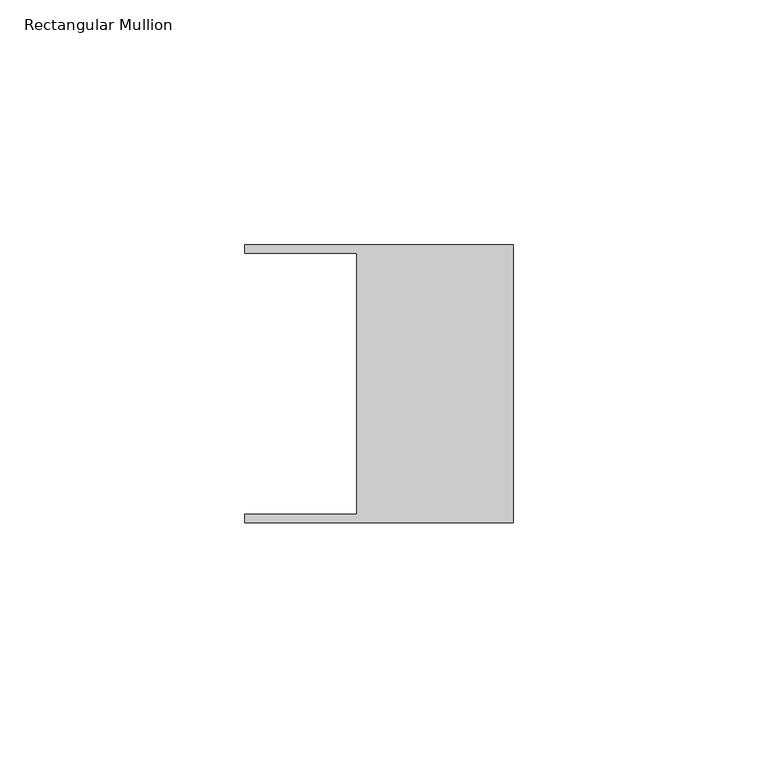
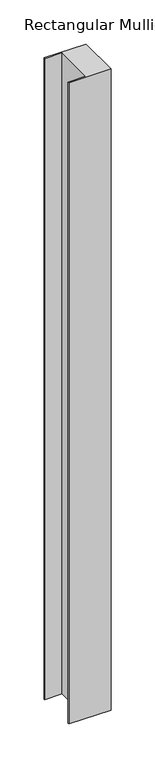
"""IFC4 building model written with IfcOpenShell, lengths in millimetres: member geometry, Rectangular Mullion."""

from ifc_helpers import new_model, si_unit, frame, origin, place, context, project, spatial, polyline, outline, extrude, source, transform, mapped, element, save


def rectangular_mullion_70b4f94c(model_context):
    return source(origin(), model_context, "Body", "SweptSolid", [
        extrude(outline(polyline([(-32.004, 26.67), (-54.991, 26.67), (-54.991, 28.448), (0.0, 28.448), (0.0, -28.448), (-54.991, -28.448), (-54.991, -26.67), (-32.004, -26.67), (-32.004, 26.67)])), frame((0.0, 0.0, -887.8149684), z_axis=(0.0, 0.0, 1.0), x_axis=(1.0, 0.0, 0.0)), (0.0, 0.0, 1.0), 887.8149684),
    ])


if __name__ == "__main__":
    model = new_model("IFC4")
    model_context = context("Model", 3, world=origin())
    ifc_project = project(units=[si_unit("LENGTHUNIT", "METRE", prefix="MILLI")], contexts=[model_context])
    site = spatial("IfcSite", under=ifc_project)
    building = spatial("IfcBuilding", under=site)
    placement = place(None, origin())
    rectangular_mullion_shape = rectangular_mullion_70b4f94c(model_context)
    element("IfcMember", 1, ObjectType="Rectangular Mullion", at=placement, inside=building, context=model_context, shape_type="MappedRepresentation", body=[
        mapped(rectangular_mullion_shape, transform((0.0, 0.0, 0.0), x_axis=(1.0, 0.0, 0.0), y_axis=(0.0, 1.0, 0.0), z_axis=(0.0, 0.0, 1.0))),
    ])
    save(model, "model.ifc")
